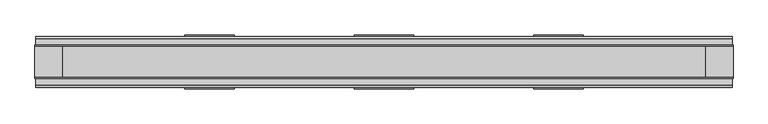
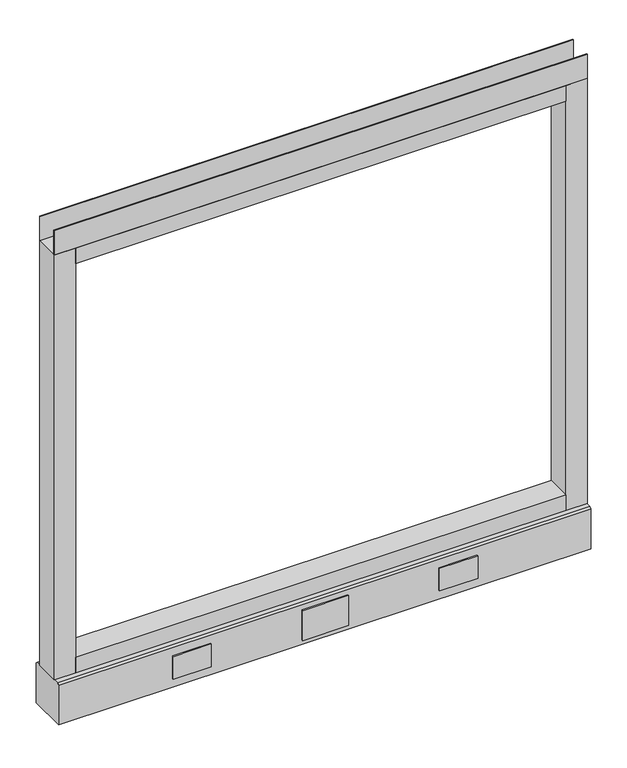
"""IFC4 building model written with IfcOpenShell, lengths in millimetres: furniture geometry."""

from ifc_helpers import new_model, si_unit, point, frame, frame_2d, origin, place, context, project, spatial, polyline, circle_curve, trimmed, segment, composite_curve, outline, extrude, source, transform, mapped, element, save
from ifc_brep_helpers import plane_surface, revolved_surface, advanced_brep


def furniture_42a7d4d5(model_context):
    return source(origin(), model_context, "Body", "SolidModel", [
        advanced_brep(
        [(463.55, 0.0, 6.35), (488.95, 0.0, 6.35), (457.2, 0.0, 0.0), (495.3, 0.0, 0.0)],
        [
            (0, 1, circle_curve(frame((476.25, 0.0, 6.35), z_axis=(-3.04822833645449e-12, 0.0, 1.0), x_axis=(-1.0, 0.0, -3.0481774992714863e-12)), 12.7)),
            (1, 0, circle_curve(frame((476.25, 0.0, 6.35), z_axis=(-3.04822833645449e-12, 0.0, 1.0), x_axis=(1.0, 0.0, 3.0481774992807776e-12)), 12.7)),
            (2, 3, circle_curve(frame((476.25, 0.0, 0.0), z_axis=(3.04822833645449e-12, 0.0, -1.0), x_axis=(1.0, 0.0, 3.0481774992807776e-12)), 19.05)),
            (3, 2, circle_curve(frame((476.25, 0.0, 0.0), z_axis=(3.04822833645449e-12, 0.0, -1.0), x_axis=(-1.0, 0.0, -3.0481774992714863e-12)), 19.05)),
            (3, 1),
            (0, 2),
        ],
        [
            plane_surface(frame((476.25, 0.0, 6.35), z_axis=(0.0, 0.0, 1.0), x_axis=(0.0, -1.0, 0.0))),
            plane_surface(frame((476.25, 0.0, 0.0), z_axis=(0.0, 0.0, -1.0), x_axis=(0.0, -1.0, 0.0))),
            revolved_surface(polyline([(463.55, 0.0, 6.35), (457.19999999988386, 0.0, -1.1613821015998838e-10)]), (476.25, 0.0, 19.05), (3.04822833645449e-12, 0.0, -1.0)),
            revolved_surface(polyline([(488.94999999992257, 0.0, 6.350000000077424), (495.3, 0.0, 0.0)]), (476.25, 0.0, 19.05), (3.04822833645449e-12, 0.0, -1.0)),
        ],
        [
            (0, [[1, 2]]),
            (1, [[3, 4]]),
            (2, [[-4, 5, -1, 6]]),
            (3, [[-3, -6, -2, -5]]),
        ],
    ),
        advanced_brep(
        [(-488.95, 0.0, 6.35), (-463.55, 0.0, 6.35), (-495.3, 0.0, 0.0), (-457.2, 0.0, 0.0)],
        [
            (0, 1, circle_curve(frame((-476.25, 0.0, 6.35), z_axis=(1.065814103655416e-12, 0.0, 1.0), x_axis=(-1.0, 0.0, 1.065778760947478e-12)), 12.7)),
            (1, 0, circle_curve(frame((-476.25, 0.0, 6.35), z_axis=(1.065814103655416e-12, 0.0, 1.0), x_axis=(1.0, 0.0, -1.0657787609463422e-12)), 12.7)),
            (2, 3, circle_curve(frame((-476.25, 0.0, 0.0), z_axis=(-1.065814103655416e-12, 0.0, -1.0), x_axis=(1.0, 0.0, -1.0657787609463422e-12)), 19.05)),
            (3, 2, circle_curve(frame((-476.25, 0.0, 0.0), z_axis=(-1.065814103655416e-12, 0.0, -1.0), x_axis=(-1.0, 0.0, 1.065778760947478e-12)), 19.05)),
            (3, 1),
            (0, 2),
        ],
        [
            plane_surface(frame((-476.25, 0.0, 6.35), z_axis=(0.0, 0.0, 1.0), x_axis=(0.0, -1.0, 0.0))),
            plane_surface(frame((-476.25, 0.0, 0.0), z_axis=(0.0, 0.0, -1.0), x_axis=(0.0, -1.0, 0.0))),
            revolved_surface(polyline([(-488.94999999997293, 0.0, 6.350000000027071), (-495.3, 0.0, 0.0)]), (-476.25, 0.0, 19.05), (-1.065814103655416e-12, 0.0, -1.0)),
            revolved_surface(polyline([(-463.55, 0.0, 6.35), (-457.1999999999594, 0.0, -4.0607517348689726e-11)]), (-476.25, 0.0, 19.05), (-1.065814103655416e-12, 0.0, -1.0)),
        ],
        [
            (0, [[1, 2]]),
            (1, [[3, 4]]),
            (2, [[-4, 5, -1, 6]]),
            (3, [[-3, -6, -2, -5]]),
        ],
    ),
        extrude(outline(polyline([(304.8, 39.0921875), (228.6, 39.0921875), (228.6, 41.4020035), (304.8, 41.4020035), (304.8, 39.0921875)])), frame((0.0, 0.0, 32.512), z_axis=(0.0, 0.0, 1.0), x_axis=(1.0, 0.0, 0.0)), (0.0, 0.0, 1.0), 48.26),
        extrude(outline(polyline([(45.7708, 39.0921875), (-45.7708, 39.0921875), (-45.7708, 41.4020035), (45.7708, 41.4020035), (45.7708, 39.0921875)])), frame((0.0, 0.0, 23.8125), z_axis=(0.0, 0.0, 1.0), x_axis=(1.0, 0.0, 0.0)), (0.0, 0.0, 1.0), 63.5),
        extrude(outline(polyline([(-228.6, 39.0921875), (-304.8, 39.0921875), (-304.8, 41.4020035), (-228.6, 41.4020035), (-228.6, 39.0921875)])), frame((0.0, 0.0, 32.512), z_axis=(0.0, 0.0, 1.0), x_axis=(1.0, 0.0, 0.0)), (0.0, 0.0, 1.0), 48.26),
        extrude(outline(polyline([(304.8, -41.4019923), (228.6, -41.4019923), (228.6, -39.0921875), (304.8, -39.0921875), (304.8, -41.4019923)])), frame((0.0, 0.0, 32.512), z_axis=(0.0, 0.0, 1.0), x_axis=(1.0, 0.0, 0.0)), (0.0, 0.0, 1.0), 48.26),
        extrude(outline(polyline([(-228.6, -41.4019923), (-304.8, -41.4019923), (-304.8, -39.0921875), (-228.6, -39.0921875), (-228.6, -41.4019923)])), frame((0.0, 0.0, 32.512), z_axis=(0.0, 0.0, 1.0), x_axis=(1.0, 0.0, 0.0)), (0.0, 0.0, 1.0), 48.26),
        extrude(outline(polyline([(45.7708, -41.4019923), (-45.7708, -41.4019923), (-45.7708, -39.0921875), (45.7708, -39.0921875), (45.7708, -41.4019923)])), frame((0.0, 0.0, 23.8125), z_axis=(0.0, 0.0, 1.0), x_axis=(1.0, 0.0, 0.0)), (0.0, 0.0, 1.0), 63.5),
        extrude(outline(polyline([(533.4, -23.8125), (533.4, -25.4), (-533.4, -25.4), (-533.4, -23.8125), (533.4, -23.8125)])), frame((0.0, 0.0, 1000.633), z_axis=(0.0, 0.0, 1.0), x_axis=(1.0, 0.0, 0.0)), (0.0, 0.0, 1.0), 51.435),
        extrude(outline(polyline([(533.4, 25.4), (533.4, 23.8125), (-533.4, 23.8125), (-533.4, 25.4), (533.4, 25.4)])), frame((0.0, 0.0, 1000.633), z_axis=(0.0, 0.0, 1.0), x_axis=(1.0, 0.0, 0.0)), (0.0, 0.0, 1.0), 51.435),
        extrude(outline(polyline([(490.5375, -25.4), (-490.5375, -25.4), (-490.5375, 25.4), (490.5375, 25.4), (490.5375, -25.4)])), frame((0.0, 0.0, 967.74), z_axis=(0.0, 0.0, 1.0), x_axis=(1.0, 0.0, 0.0)), (0.0, 0.0, 1.0), 32.893),
        extrude(outline(polyline([(490.5375, -25.4), (-490.5375, -25.4), (-490.5375, 25.4), (490.5375, 25.4), (490.5375, -25.4)])), frame((0.0, 0.0, 101.6), z_axis=(0.0, 0.0, 1.0), x_axis=(1.0, 0.0, 0.0)), (0.0, 0.0, 1.0), 32.893),
        extrude(outline(composite_curve([segment(trimmed(circle_curve(frame_2d((-476.25, 0.0)), 5.55625), [point((-481.80625, 0.0))], [point((-470.69375, 0.0))], False, "CARTESIAN"), True, "CONTINUOUS"), segment(trimmed(circle_curve(frame_2d((-476.25, 0.0)), 5.55625), [point((-470.69375, 0.0))], [point((-481.80625, 0.0))], False, "CARTESIAN"), True, "CONTINUOUS")], self_intersect=False)), frame((0.0, 0.0, 6.35), z_axis=(0.0, 0.0, 1.0), x_axis=(1.0, 0.0, 0.0)), (0.0, 0.0, 1.0), 7.9375),
        extrude(outline(composite_curve([segment(trimmed(circle_curve(frame_2d((476.25, 0.0)), 5.55625), [point((470.69375, 0.0))], [point((481.80625, 0.0))], False, "CARTESIAN"), True, "CONTINUOUS"), segment(trimmed(circle_curve(frame_2d((476.25, 0.0)), 5.55625), [point((481.80625, 0.0))], [point((470.69375, 0.0))], False, "CARTESIAN"), True, "CONTINUOUS")], self_intersect=False)), frame((0.0, 0.0, 6.35), z_axis=(0.0, 0.0, 1.0), x_axis=(1.0, 0.0, 0.0)), (0.0, 0.0, 1.0), 7.9375),
        extrude(outline(polyline([(-490.5375, -25.4), (-533.4, -25.4), (-533.4, 25.4), (-490.5375, 25.4), (-490.5375, -25.4)])), frame((0.0, 0.0, 101.6), z_axis=(0.0, 0.0, 1.0), x_axis=(1.0, 0.0, 0.0)), (0.0, 0.0, 1.0), 899.033),
        extrude(outline(polyline([(533.4, -25.4), (490.5375, -25.4), (490.5375, 25.4), (533.4, 25.4), (533.4, -25.4)])), frame((0.0, 0.0, 101.6), z_axis=(0.0, 0.0, 1.0), x_axis=(1.0, 0.0, 0.0)), (0.0, 0.0, 1.0), 899.033),
        extrude(outline(polyline([(-35.9171875, 101.6), (35.9171875, 101.6), (39.0921875, 98.425), (39.0921875, 14.2875), (-39.0921875, 14.2875), (-39.0921875, 98.425), (-35.9171875, 101.6)])), frame((-532.257, 0.0, 0.0), z_axis=(1.0, 0.0, 0.0), x_axis=(0.0, 1.0, 0.0)), (0.0, 0.0, 1.0), 1064.5140102),
    ])


if __name__ == "__main__":
    model = new_model("IFC4")
    model_context = context("Model", 3, world=origin())
    ifc_project = project(units=[si_unit("LENGTHUNIT", "METRE", prefix="MILLI")], contexts=[model_context])
    site = spatial("IfcSite", under=ifc_project)
    building = spatial("IfcBuilding", under=site)
    placement = place(None, origin())
    furniture_shape = furniture_42a7d4d5(model_context)
    element("IfcFurniture", 1, at=placement, inside=building, context=model_context, shape_type="MappedRepresentation", body=[
        mapped(furniture_shape, transform((0.0, 0.0, 0.0), x_axis=(1.0, 0.0, 0.0), y_axis=(0.0, 1.0, 0.0), z_axis=(0.0, 0.0, 1.0))),
    ])
    save(model, "model.ifc")
